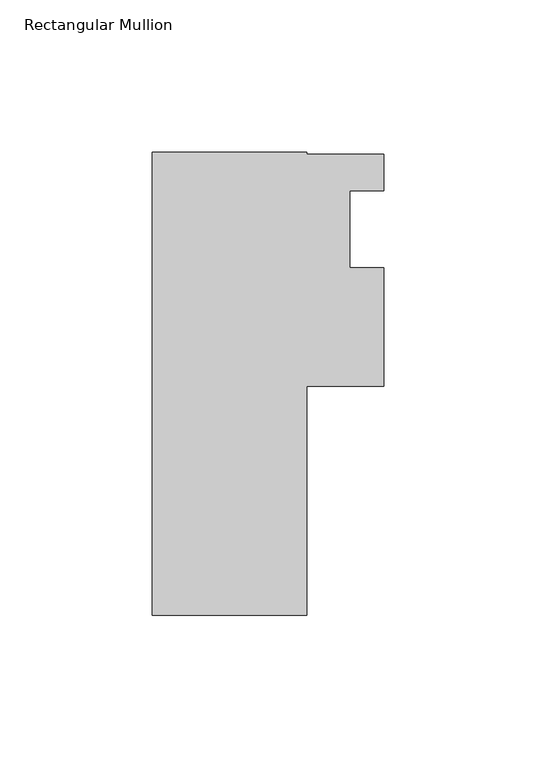
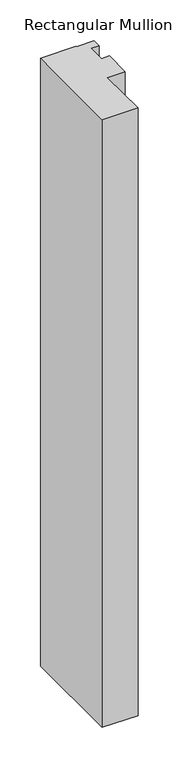
"""IFC4 building model written with IfcOpenShell, lengths in millimetres: member geometry, Rectangular Mullion."""

from ifc_helpers import new_model, si_unit, frame, origin, place, context, project, spatial, polyline, outline, extrude, source, transform, mapped, element, save


def rectangular_mullion_c5789409(model_context):
    return source(origin(), model_context, "Body", "SweptSolid", [
        extrude(outline(polyline([(25.4, -139.7), (-25.4, -139.7), (-25.4, 12.7), (25.4, 12.7), (25.4, 11.90625), (50.8, 11.90625), (50.8, 0.0), (39.6875, 0.0), (39.6875, -25.4), (50.8, -25.4), (50.8, -64.29375), (25.4, -64.29375), (25.4, -139.7)])), frame((0.0, 0.0, -914.4), z_axis=(0.0, 0.0, 1.0), x_axis=(1.0, 0.0, 0.0)), (0.0, 0.0, 1.0), 914.4),
    ])


if __name__ == "__main__":
    model = new_model("IFC4")
    model_context = context("Model", 3, world=origin())
    ifc_project = project(units=[si_unit("LENGTHUNIT", "METRE", prefix="MILLI")], contexts=[model_context])
    site = spatial("IfcSite", under=ifc_project)
    building = spatial("IfcBuilding", under=site)
    placement = place(None, origin())
    rectangular_mullion_shape = rectangular_mullion_c5789409(model_context)
    element("IfcMember", 1, ObjectType="Rectangular Mullion", at=placement, inside=building, context=model_context, shape_type="MappedRepresentation", body=[
        mapped(rectangular_mullion_shape, transform((0.0, 0.0, 0.0), x_axis=(1.0, 0.0, 0.0), y_axis=(0.0, 1.0, 0.0), z_axis=(0.0, 0.0, 1.0))),
    ])
    save(model, "model.ifc")
